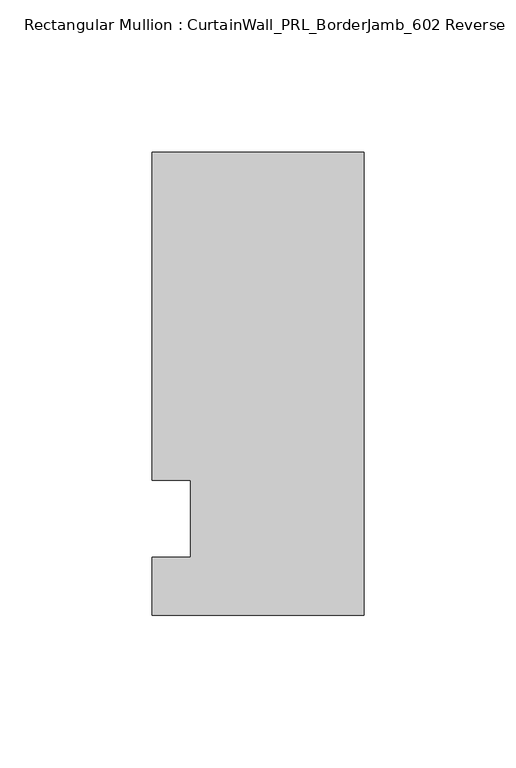
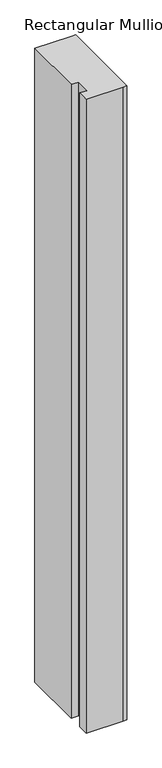
"""IFC4 building model written with IfcOpenShell, lengths in millimetres: member geometry, Rectangular Mullion : CurtainWall_PRL_BorderJamb_602 Reverse."""

from ifc_helpers import new_model, si_unit, frame, origin, place, context, project, spatial, polyline, outline, extrude, source, transform, mapped, element, save


def rectangular_mullion_curtainwall_prl_borderjamb_602_reverse_d7f55c5a(model_context):
    return source(origin(), model_context, "Body", "SweptSolid", [
        extrude(outline(polyline([(-57.15, 12.7), (-69.85, 12.7), (-69.85, 120.65), (-6.35, 120.65), (0.0, 120.65), (0.0, -31.75), (-7.3958824, -31.75), (-69.85, -31.75), (-69.85, -12.7), (-57.15, -12.7), (-57.15, 12.7)])), frame((0.0, 0.0, -1149.35), z_axis=(0.0, 0.0, 1.0), x_axis=(1.0, 0.0, 0.0)), (0.0, 0.0, 1.0), 1149.35),
    ])


if __name__ == "__main__":
    model = new_model("IFC4")
    model_context = context("Model", 3, world=origin())
    ifc_project = project(units=[si_unit("LENGTHUNIT", "METRE", prefix="MILLI")], contexts=[model_context])
    site = spatial("IfcSite", under=ifc_project)
    building = spatial("IfcBuilding", under=site)
    placement = place(None, origin())
    rectangular_mullion_curtainwall_prl_borderjamb_602_reverse_shape = rectangular_mullion_curtainwall_prl_borderjamb_602_reverse_d7f55c5a(model_context)
    element("IfcMember", 1, ObjectType="Rectangular Mullion : CurtainWall_PRL_BorderJamb_602 Reverse", at=placement, inside=building, context=model_context, shape_type="MappedRepresentation", body=[
        mapped(rectangular_mullion_curtainwall_prl_borderjamb_602_reverse_shape, transform((0.0, 0.0, 0.0), x_axis=(1.0, 0.0, 0.0), y_axis=(0.0, 1.0, 0.0), z_axis=(0.0, 0.0, 1.0))),
    ])
    save(model, "model.ifc")
